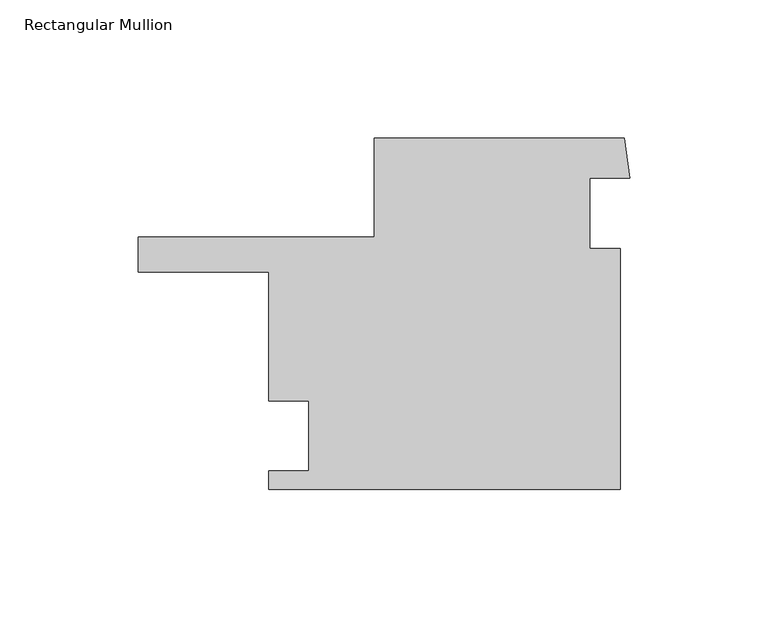
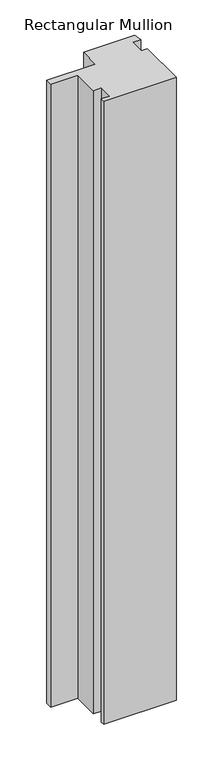
"""IFC4 building model written with IfcOpenShell, lengths in millimetres: member geometry, Rectangular Mullion."""

from ifc_helpers import new_model, si_unit, frame, origin, place, context, project, spatial, polyline, outline, extrude, source, transform, mapped, element, save


def rectangular_mullion_230e3947(model_context):
    return source(origin(), model_context, "Body", "SweptSolid", [
        extrude(outline(polyline([(-60.325, 53.975), (29.9153823, 53.975), (31.9704711, 39.4752066), (17.4625, 39.4752066), (17.4625, 14.071475), (28.575, 14.071475), (28.575, -73.025), (-98.425, -73.025), (-98.425, -66.4463644), (-84.137512, -66.4463644), (-84.137512, -41.0463644), (-98.425, -41.0463644), (-98.425, 5.5949286), (-145.6608632, 5.5949286), (-145.6608632, 18.2328995), (-60.325, 18.2328995), (-60.325, 53.975)])), frame((0.0, 0.0, -1155.71242), z_axis=(0.0, 0.0, 1.0), x_axis=(1.0, 0.0, 0.0)), (0.0, 0.0, 1.0), 1155.71242),
    ])


if __name__ == "__main__":
    model = new_model("IFC4")
    model_context = context("Model", 3, world=origin())
    ifc_project = project(units=[si_unit("LENGTHUNIT", "METRE", prefix="MILLI")], contexts=[model_context])
    site = spatial("IfcSite", under=ifc_project)
    building = spatial("IfcBuilding", under=site)
    placement = place(None, origin())
    rectangular_mullion_shape = rectangular_mullion_230e3947(model_context)
    element("IfcMember", 1, ObjectType="Rectangular Mullion", at=placement, inside=building, context=model_context, shape_type="MappedRepresentation", body=[
        mapped(rectangular_mullion_shape, transform((0.0, 0.0, 0.0), x_axis=(1.0, 0.0, 0.0), y_axis=(0.0, 1.0, 0.0), z_axis=(0.0, 0.0, 1.0))),
    ])
    save(model, "model.ifc")
